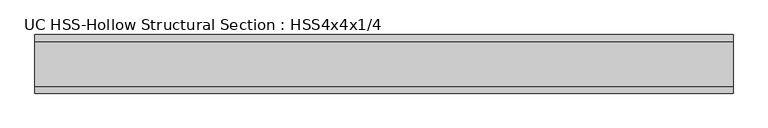
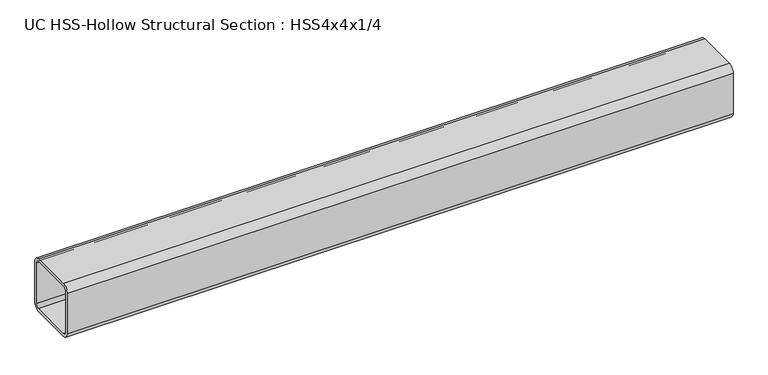
"""IFC4 building model written with IfcOpenShell, lengths in millimetres: beam geometry, UC HSS-Hollow Structural Section : HSS4x4x1/4."""

import ifcopenshell
import ifcopenshell.guid

model = None  # the IFC model being written
_history = None  # IfcOwnerHistory: only IFC2X3 demands one
_inside = {}  # id of a spatial element -> (the spatial element, [elements in it])
_under = {}  # id of a project, library or spatial element -> (it, [spatial elements below it])
_declared = {}  # id of a project -> (the project, [libraries it declares])
_typed = {}  # id of a type object -> (the type object, [elements of that type])
_made_of = {}  # id of a material, layer set ... -> (it, [elements and type objects made of it])


def new_model(schema):
    """Start an empty IFC model of exactly this schema.

    Asked for "IFC4X3", IfcOpenShell would pick the latest addendum, in which some entities
    have other attributes; the version numbers below select the first issue.
    IFC2X3 requires an IfcOwnerHistory on every rooted entity: one is made here for all.
    """
    global model, _history
    if schema == "IFC4X3":
        model = ifcopenshell.file(schema_version=(4, 3, 0, 0))
    else:
        model = ifcopenshell.file(schema=schema)
    _inside.clear()
    _under.clear()
    _declared.clear()
    _typed.clear()
    _made_of.clear()
    _history = None
    if model.schema == "IFC2X3":
        org = make("IfcOrganization", Name="unknown")
        user = make(
            "IfcPersonAndOrganization",
            ThePerson=make("IfcPerson", FamilyName="unknown"),
            TheOrganization=org,
        )
        app = make(
            "IfcApplication",
            ApplicationDeveloper=org,
            Version="unknown",
            ApplicationFullName="unknown",
            ApplicationIdentifier="unknown",
        )
        _history = make(
            "IfcOwnerHistory",
            OwningUser=user,
            OwningApplication=app,
            ChangeAction="ADDED",
            CreationDate=0,
        )
    return model


def make(cls, **values):
    """One entity of the class cls with the attributes given. An attribute that is None is left unset."""
    return model.create_entity(
        cls, **{name: value for name, value in values.items() if value is not None}
    )


def rooted(cls, **values):
    """An entity with a GlobalId (a new one), such as an element, a storey or a relation."""
    return make(cls, GlobalId=ifcopenshell.guid.new(), OwnerHistory=_history, **values)


def si_unit(unit_type, name, prefix=None):
    """IfcSIUnit, for example si_unit("LENGTHUNIT", "METRE", prefix="MILLI")."""
    return make("IfcSIUnit", UnitType=unit_type, Prefix=prefix, Name=name)


def assignment(units):
    """IfcUnitAssignment: the units of a project."""
    return None if units is None else make("IfcUnitAssignment", Units=units)


def point(xyz):
    """IfcCartesianPoint."""
    return None if xyz is None else make("IfcCartesianPoint", Coordinates=xyz)


def direction(xyz):
    """IfcDirection."""
    return None if xyz is None else make("IfcDirection", DirectionRatios=xyz)


def frame(location, z_axis=None, x_axis=None):
    """IfcAxis2Placement3D, a coordinate frame: its origin and axes. An axis left out is left unset."""
    return make(
        "IfcAxis2Placement3D",
        Location=point(location),
        Axis=direction(z_axis),
        RefDirection=direction(x_axis),
    )


def frame_2d(location, x_axis=None):
    """IfcAxis2Placement2D, a coordinate frame in the plane: its origin and x axis."""
    return make(
        "IfcAxis2Placement2D", Location=point(location), RefDirection=direction(x_axis)
    )


def origin():
    """The frame at (0, 0, 0) with its axes left unset."""
    return frame((0.0, 0.0, 0.0))


def place(relative_to, where):
    """IfcLocalPlacement: puts the frame where relative to a parent placement (None: the world)."""
    return make(
        "IfcLocalPlacement", PlacementRelTo=relative_to, RelativePlacement=where
    )


def context(
    kind, dimensions, precision=None, world=None, true_north=None, identifier=None
):
    """IfcGeometricRepresentationContext, for example the 3D "Model" context."""
    return make(
        "IfcGeometricRepresentationContext",
        ContextIdentifier=identifier,
        ContextType=kind,
        CoordinateSpaceDimension=dimensions,
        Precision=precision,
        WorldCoordinateSystem=world,
        TrueNorth=true_north,
    )


def project(units=None, contexts=None):
    """IfcProject with its units and contexts."""
    return rooted(
        "IfcProject",
        Name="project",
        RepresentationContexts=contexts,
        UnitsInContext=assignment(units),
    )


def spatial(cls, under=None, at=None, **own):
    """A site, building, storey or space (cls), placed at a placement, below another one or the project."""
    s = rooted(cls, ObjectPlacement=at, **own)
    if under is not None:
        _under.setdefault(under.id(), (under, []))[1].append(s)
    return s


def polyline(points):
    """IfcPolyline through the points."""
    return make("IfcPolyline", Points=[point(p) for p in points])


def circle_curve(where, radius):
    """IfcCircle in the frame where."""
    return make("IfcCircle", Position=where, Radius=radius)


def trimmed(basis, trim1, trim2, sense, master):
    """IfcTrimmedCurve: the piece of a basis curve between two trims."""
    return make(
        "IfcTrimmedCurve",
        BasisCurve=basis,
        Trim1=trim1,
        Trim2=trim2,
        SenseAgreement=sense,
        MasterRepresentation=master,
    )


def segment(curve, same_sense, transition):
    """IfcCompositeCurveSegment."""
    return make(
        "IfcCompositeCurveSegment",
        Transition=transition,
        SameSense=same_sense,
        ParentCurve=curve,
    )


def composite_curve(segments, self_intersect=None):
    """IfcCompositeCurve: segments joined end to end."""
    return make("IfcCompositeCurve", Segments=segments, SelfIntersect=self_intersect)


def outline(outer, holes=None, kind="AREA"):
    """IfcArbitraryClosedProfileDef: a profile drawn as a closed curve; with holes, ...WithVoids."""
    if holes is None:
        return make("IfcArbitraryClosedProfileDef", ProfileType=kind, OuterCurve=outer)
    return make(
        "IfcArbitraryProfileDefWithVoids",
        ProfileType=kind,
        OuterCurve=outer,
        InnerCurves=holes,
    )


def extrude(swept, where, along, depth):
    """IfcExtrudedAreaSolid: the profile swept, set in the frame where, extruded along a direction by depth."""
    return make(
        "IfcExtrudedAreaSolid",
        SweptArea=swept,
        Position=where,
        ExtrudedDirection=direction(along),
        Depth=depth,
    )


def shape(context_of_items, identifier, shape_type, items):
    """IfcShapeRepresentation: the items that make up one representation, for example the "Body"."""
    return make(
        "IfcShapeRepresentation",
        ContextOfItems=context_of_items,
        RepresentationIdentifier=identifier,
        RepresentationType=shape_type,
        Items=items,
    )


def source(mapping_origin, context_of_items, identifier, shape_type, items):
    """IfcRepresentationMap: a shape defined once, which mapped items show again and again."""
    return make(
        "IfcRepresentationMap",
        MappingOrigin=mapping_origin,
        MappedRepresentation=shape(context_of_items, identifier, shape_type, items),
    )


def transform(
    local_origin,
    x_axis=None,
    y_axis=None,
    z_axis=None,
    scale=None,
    scale2=None,
    scale3=None,
    uniform=True,
):
    """IfcCartesianTransformationOperator3D, or its non-uniform kind. x_axis, y_axis, z_axis: its Axis1, 2, 3."""
    if uniform:
        return make(
            "IfcCartesianTransformationOperator3D",
            Axis1=direction(x_axis),
            Axis2=direction(y_axis),
            LocalOrigin=point(local_origin),
            Scale=scale,
            Axis3=direction(z_axis),
        )
    return make(
        "IfcCartesianTransformationOperator3DnonUniform",
        Axis1=direction(x_axis),
        Axis2=direction(y_axis),
        LocalOrigin=point(local_origin),
        Scale=scale,
        Axis3=direction(z_axis),
        Scale2=scale2,
        Scale3=scale3,
    )


def mapped(mapping_source, mapping_target):
    """IfcMappedItem: shows the shape of a source again, moved by a transform."""
    return make(
        "IfcMappedItem", MappingSource=mapping_source, MappingTarget=mapping_target
    )


def made_of(thing, what):
    """Note that an element or type object is made of a material, layer set ...; save() writes the relation."""
    if what is not None:
        _made_of.setdefault(what.id(), (what, []))[1].append(thing)
    return thing


def element(
    cls,
    number,
    at=None,
    inside=None,
    cuts=None,
    type_object=None,
    material=None,
    context=None,
    identifier="Body",
    shape_type=None,
    held_by="IfcProductDefinitionShape",
    body=None,
    shapes=None,
    **own,
):
    """One element of the class cls, such as IfcWall. Its Tag is "e" and its number.

    at: its placement. inside: the storey or other place that contains it. cuts: it is an
    opening in that element (IfcRelVoidsElement). A single representation is given by context,
    identifier, shape_type and body (its items); several are given by shapes. held_by: the class
    of the entity that holds the representations. save() writes the other relations.
    """
    e = rooted(cls, Tag="e%d" % number, ObjectPlacement=at, **own)
    if body is not None:
        shapes = [shape(context, identifier, shape_type, body)]
    if shapes is not None:
        e.Representation = make(held_by, Representations=shapes)
    if inside is not None:
        _inside.setdefault(inside.id(), (inside, []))[1].append(e)
    if cuts is not None:
        rooted(
            "IfcRelVoidsElement", RelatingBuildingElement=cuts, RelatedOpeningElement=e
        )
    if type_object is not None:
        _typed.setdefault(type_object.id(), (type_object, []))[1].append(e)
    return made_of(e, material)


def aggregate(whole, parts):
    """IfcRelAggregates: a whole, such as a stair, and the parts it consists of."""
    return rooted("IfcRelAggregates", RelatingObject=whole, RelatedObjects=parts)


def save(model, path):
    """Write the relations noted so far, then the file.

    IfcRelAggregates (storeys below a building ...), IfcRelContainedInSpatialStructure (elements
    in a storey), IfcRelDefinesByType, IfcRelAssociatesMaterial and IfcRelDeclares: one each for
    every whole, place, type object, material and project.
    """
    for whole, parts in _under.values():
        aggregate(whole, parts)
    for where, things in _inside.values():
        rooted(
            "IfcRelContainedInSpatialStructure",
            RelatedElements=things,
            RelatingStructure=where,
        )
    for kind, things in _typed.values():
        rooted("IfcRelDefinesByType", RelatedObjects=things, RelatingType=kind)
    for what, things in _made_of.values():
        rooted("IfcRelAssociatesMaterial", RelatedObjects=things, RelatingMaterial=what)
    for by, libraries in _declared.values():
        rooted("IfcRelDeclares", RelatingContext=by, RelatedDefinitions=libraries)
    model.write(path)


def uc_hss_hollow_structural_section_hss4x4x1_4_9cfe1e8c(model_context):
    return source(origin(), model_context, "Body", "SweptSolid", [
        extrude(outline(composite_curve([segment(polyline([(50.8, 38.9636), (50.8, -38.9636)]), True, "CONTINUOUS"), segment(trimmed(circle_curve(frame_2d((38.9636, -38.9636)), 11.8364), [point((50.8, -38.9636))], [point((38.9636, -50.8))], False, "CARTESIAN"), True, "CONTINUOUS"), segment(polyline([(38.9636, -50.8), (-38.9636, -50.8)]), True, "CONTINUOUS"), segment(trimmed(circle_curve(frame_2d((-38.9636, -38.9636)), 11.8364), [point((-38.9636, -50.8))], [point((-50.8, -38.9636))], False, "CARTESIAN"), True, "CONTINUOUS"), segment(polyline([(-50.8, -38.9636), (-50.8, 38.9636)]), True, "CONTINUOUS"), segment(trimmed(circle_curve(frame_2d((-38.9636, 38.9636)), 11.8364), [point((-50.8, 38.9636))], [point((-38.9636, 50.8))], False, "CARTESIAN"), True, "CONTINUOUS"), segment(polyline([(-38.9636, 50.8), (38.9636, 50.8)]), True, "CONTINUOUS"), segment(trimmed(circle_curve(frame_2d((38.9636, 38.9636)), 11.8364), [point((38.9636, 50.8))], [point((50.8, 38.9636))], False, "CARTESIAN"), True, "CONTINUOUS")], self_intersect=False), holes=[composite_curve([segment(trimmed(circle_curve(frame_2d((-38.9636, 38.9636)), 5.9182), [point((-38.9636, 44.8818))], [point((-44.8818, 38.9636))], True, "CARTESIAN"), True, "CONTINUOUS"), segment(polyline([(-44.8818, 38.9636), (-44.8818, -38.9636)]), True, "CONTINUOUS"), segment(trimmed(circle_curve(frame_2d((-38.9636, -38.9636)), 5.9182), [point((-44.8818, -38.9636))], [point((-38.9636, -44.8818))], True, "CARTESIAN"), True, "CONTINUOUS"), segment(polyline([(-38.9636, -44.8818), (38.9636, -44.8818)]), True, "CONTINUOUS"), segment(trimmed(circle_curve(frame_2d((38.9636, -38.9636)), 5.9182), [point((38.9636, -44.8818))], [point((44.8818, -38.9636))], True, "CARTESIAN"), True, "CONTINUOUS"), segment(polyline([(44.8818, -38.9636), (44.8818, 38.9636)]), True, "CONTINUOUS"), segment(trimmed(circle_curve(frame_2d((38.9636, 38.9636)), 5.9182), [point((44.8818, 38.9636))], [point((38.9636, 44.8818))], True, "CARTESIAN"), True, "CONTINUOUS"), segment(polyline([(38.9636, 44.8818), (-38.9636, 44.8818)]), True, "CONTINUOUS")], self_intersect=False)]), frame((-520.7, 0.0, 0.0), z_axis=(1.0, 0.0, 0.0), x_axis=(0.0, 1.0, 0.0)), (0.0, 0.0, 1.0), 1210.6394209),
    ])


if __name__ == "__main__":
    model = new_model("IFC4")
    model_context = context("Model", 3, world=origin())
    ifc_project = project(units=[si_unit("LENGTHUNIT", "METRE", prefix="MILLI")], contexts=[model_context])
    site = spatial("IfcSite", under=ifc_project)
    building = spatial("IfcBuilding", under=site)
    placement = place(None, origin())
    uc_hss_hollow_structural_section_hss4x4x1_4_shape = uc_hss_hollow_structural_section_hss4x4x1_4_9cfe1e8c(model_context)
    element("IfcBeam", 1, ObjectType="UC HSS-Hollow Structural Section : HSS4x4x1/4", at=placement, inside=building, context=model_context, shape_type="MappedRepresentation", body=[
        mapped(uc_hss_hollow_structural_section_hss4x4x1_4_shape, transform((0.0, 0.0, 0.0), x_axis=(1.0, 0.0, 0.0), y_axis=(0.0, 1.0, 0.0), z_axis=(0.0, 0.0, 1.0))),
    ])
    save(model, "model.ifc")
